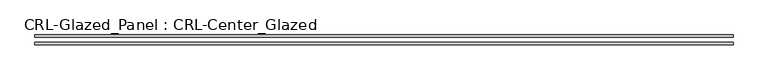
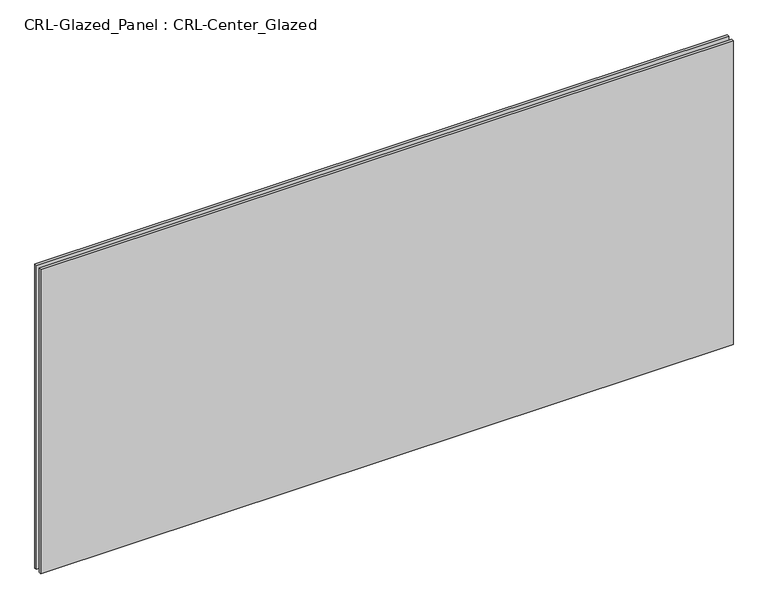
"""IFC4 building model written with IfcOpenShell, lengths in millimetres: plate geometry, CRL-Glazed_Panel : CRL-Center_Glazed."""

import ifcopenshell
import ifcopenshell.guid

model = None  # the IFC model being written
_history = None  # IfcOwnerHistory: only IFC2X3 demands one
_inside = {}  # id of a spatial element -> (the spatial element, [elements in it])
_under = {}  # id of a project, library or spatial element -> (it, [spatial elements below it])
_declared = {}  # id of a project -> (the project, [libraries it declares])
_typed = {}  # id of a type object -> (the type object, [elements of that type])
_made_of = {}  # id of a material, layer set ... -> (it, [elements and type objects made of it])


def new_model(schema):
    """Start an empty IFC model of exactly this schema.

    Asked for "IFC4X3", IfcOpenShell would pick the latest addendum, in which some entities
    have other attributes; the version numbers below select the first issue.
    IFC2X3 requires an IfcOwnerHistory on every rooted entity: one is made here for all.
    """
    global model, _history
    if schema == "IFC4X3":
        model = ifcopenshell.file(schema_version=(4, 3, 0, 0))
    else:
        model = ifcopenshell.file(schema=schema)
    _inside.clear()
    _under.clear()
    _declared.clear()
    _typed.clear()
    _made_of.clear()
    _history = None
    if model.schema == "IFC2X3":
        org = make("IfcOrganization", Name="unknown")
        user = make(
            "IfcPersonAndOrganization",
            ThePerson=make("IfcPerson", FamilyName="unknown"),
            TheOrganization=org,
        )
        app = make(
            "IfcApplication",
            ApplicationDeveloper=org,
            Version="unknown",
            ApplicationFullName="unknown",
            ApplicationIdentifier="unknown",
        )
        _history = make(
            "IfcOwnerHistory",
            OwningUser=user,
            OwningApplication=app,
            ChangeAction="ADDED",
            CreationDate=0,
        )
    return model


def make(cls, **values):
    """One entity of the class cls with the attributes given. An attribute that is None is left unset."""
    return model.create_entity(
        cls, **{name: value for name, value in values.items() if value is not None}
    )


def rooted(cls, **values):
    """An entity with a GlobalId (a new one), such as an element, a storey or a relation."""
    return make(cls, GlobalId=ifcopenshell.guid.new(), OwnerHistory=_history, **values)


def si_unit(unit_type, name, prefix=None):
    """IfcSIUnit, for example si_unit("LENGTHUNIT", "METRE", prefix="MILLI")."""
    return make("IfcSIUnit", UnitType=unit_type, Prefix=prefix, Name=name)


def assignment(units):
    """IfcUnitAssignment: the units of a project."""
    return None if units is None else make("IfcUnitAssignment", Units=units)


def point(xyz):
    """IfcCartesianPoint."""
    return None if xyz is None else make("IfcCartesianPoint", Coordinates=xyz)


def direction(xyz):
    """IfcDirection."""
    return None if xyz is None else make("IfcDirection", DirectionRatios=xyz)


def frame(location, z_axis=None, x_axis=None):
    """IfcAxis2Placement3D, a coordinate frame: its origin and axes. An axis left out is left unset."""
    return make(
        "IfcAxis2Placement3D",
        Location=point(location),
        Axis=direction(z_axis),
        RefDirection=direction(x_axis),
    )


def origin():
    """The frame at (0, 0, 0) with its axes left unset."""
    return frame((0.0, 0.0, 0.0))


def origin_with_axes():
    """The frame at (0, 0, 0) with the z axis (0, 0, 1) and the x axis (1, 0, 0) written out."""
    return frame((0.0, 0.0, 0.0), z_axis=(0.0, 0.0, 1.0), x_axis=(1.0, 0.0, 0.0))


def place(relative_to, where):
    """IfcLocalPlacement: puts the frame where relative to a parent placement (None: the world)."""
    return make(
        "IfcLocalPlacement", PlacementRelTo=relative_to, RelativePlacement=where
    )


def context(
    kind, dimensions, precision=None, world=None, true_north=None, identifier=None
):
    """IfcGeometricRepresentationContext, for example the 3D "Model" context."""
    return make(
        "IfcGeometricRepresentationContext",
        ContextIdentifier=identifier,
        ContextType=kind,
        CoordinateSpaceDimension=dimensions,
        Precision=precision,
        WorldCoordinateSystem=world,
        TrueNorth=true_north,
    )


def project(units=None, contexts=None):
    """IfcProject with its units and contexts."""
    return rooted(
        "IfcProject",
        Name="project",
        RepresentationContexts=contexts,
        UnitsInContext=assignment(units),
    )


def spatial(cls, under=None, at=None, **own):
    """A site, building, storey or space (cls), placed at a placement, below another one or the project."""
    s = rooted(cls, ObjectPlacement=at, **own)
    if under is not None:
        _under.setdefault(under.id(), (under, []))[1].append(s)
    return s


def polyline(points):
    """IfcPolyline through the points."""
    return make("IfcPolyline", Points=[point(p) for p in points])


def outline(outer, holes=None, kind="AREA"):
    """IfcArbitraryClosedProfileDef: a profile drawn as a closed curve; with holes, ...WithVoids."""
    if holes is None:
        return make("IfcArbitraryClosedProfileDef", ProfileType=kind, OuterCurve=outer)
    return make(
        "IfcArbitraryProfileDefWithVoids",
        ProfileType=kind,
        OuterCurve=outer,
        InnerCurves=holes,
    )


def extrude(swept, where, along, depth):
    """IfcExtrudedAreaSolid: the profile swept, set in the frame where, extruded along a direction by depth."""
    return make(
        "IfcExtrudedAreaSolid",
        SweptArea=swept,
        Position=where,
        ExtrudedDirection=direction(along),
        Depth=depth,
    )


def shape(context_of_items, identifier, shape_type, items):
    """IfcShapeRepresentation: the items that make up one representation, for example the "Body"."""
    return make(
        "IfcShapeRepresentation",
        ContextOfItems=context_of_items,
        RepresentationIdentifier=identifier,
        RepresentationType=shape_type,
        Items=items,
    )


def source(mapping_origin, context_of_items, identifier, shape_type, items):
    """IfcRepresentationMap: a shape defined once, which mapped items show again and again."""
    return make(
        "IfcRepresentationMap",
        MappingOrigin=mapping_origin,
        MappedRepresentation=shape(context_of_items, identifier, shape_type, items),
    )


def transform(
    local_origin,
    x_axis=None,
    y_axis=None,
    z_axis=None,
    scale=None,
    scale2=None,
    scale3=None,
    uniform=True,
):
    """IfcCartesianTransformationOperator3D, or its non-uniform kind. x_axis, y_axis, z_axis: its Axis1, 2, 3."""
    if uniform:
        return make(
            "IfcCartesianTransformationOperator3D",
            Axis1=direction(x_axis),
            Axis2=direction(y_axis),
            LocalOrigin=point(local_origin),
            Scale=scale,
            Axis3=direction(z_axis),
        )
    return make(
        "IfcCartesianTransformationOperator3DnonUniform",
        Axis1=direction(x_axis),
        Axis2=direction(y_axis),
        LocalOrigin=point(local_origin),
        Scale=scale,
        Axis3=direction(z_axis),
        Scale2=scale2,
        Scale3=scale3,
    )


def mapped(mapping_source, mapping_target):
    """IfcMappedItem: shows the shape of a source again, moved by a transform."""
    return make(
        "IfcMappedItem", MappingSource=mapping_source, MappingTarget=mapping_target
    )


def made_of(thing, what):
    """Note that an element or type object is made of a material, layer set ...; save() writes the relation."""
    if what is not None:
        _made_of.setdefault(what.id(), (what, []))[1].append(thing)
    return thing


def element(
    cls,
    number,
    at=None,
    inside=None,
    cuts=None,
    type_object=None,
    material=None,
    context=None,
    identifier="Body",
    shape_type=None,
    held_by="IfcProductDefinitionShape",
    body=None,
    shapes=None,
    **own,
):
    """One element of the class cls, such as IfcWall. Its Tag is "e" and its number.

    at: its placement. inside: the storey or other place that contains it. cuts: it is an
    opening in that element (IfcRelVoidsElement). A single representation is given by context,
    identifier, shape_type and body (its items); several are given by shapes. held_by: the class
    of the entity that holds the representations. save() writes the other relations.
    """
    e = rooted(cls, Tag="e%d" % number, ObjectPlacement=at, **own)
    if body is not None:
        shapes = [shape(context, identifier, shape_type, body)]
    if shapes is not None:
        e.Representation = make(held_by, Representations=shapes)
    if inside is not None:
        _inside.setdefault(inside.id(), (inside, []))[1].append(e)
    if cuts is not None:
        rooted(
            "IfcRelVoidsElement", RelatingBuildingElement=cuts, RelatedOpeningElement=e
        )
    if type_object is not None:
        _typed.setdefault(type_object.id(), (type_object, []))[1].append(e)
    return made_of(e, material)


def aggregate(whole, parts):
    """IfcRelAggregates: a whole, such as a stair, and the parts it consists of."""
    return rooted("IfcRelAggregates", RelatingObject=whole, RelatedObjects=parts)


def save(model, path):
    """Write the relations noted so far, then the file.

    IfcRelAggregates (storeys below a building ...), IfcRelContainedInSpatialStructure (elements
    in a storey), IfcRelDefinesByType, IfcRelAssociatesMaterial and IfcRelDeclares: one each for
    every whole, place, type object, material and project.
    """
    for whole, parts in _under.values():
        aggregate(whole, parts)
    for where, things in _inside.values():
        rooted(
            "IfcRelContainedInSpatialStructure",
            RelatedElements=things,
            RelatingStructure=where,
        )
    for kind, things in _typed.values():
        rooted("IfcRelDefinesByType", RelatedObjects=things, RelatingType=kind)
    for what, things in _made_of.values():
        rooted("IfcRelAssociatesMaterial", RelatedObjects=things, RelatingMaterial=what)
    for by, libraries in _declared.values():
        rooted("IfcRelDeclares", RelatingContext=by, RelatedDefinitions=libraries)
    model.write(path)


def crl_glazed_panel_crl_center_glazed_48ac3d56(model_context):
    return source(origin(), model_context, "Body", "SweptSolid", [
        extrude(outline(polyline([(900.1125, -12.7), (-900.1125, -12.7), (-900.1125, -6.35), (900.1125, -6.35), (900.1125, -12.7)])), origin_with_axes(), (0.0, 0.0, 1.0), 836.2315157),
        extrude(outline(polyline([(-900.1125, 6.35), (-900.1125, 12.7), (900.1125, 12.7), (900.1125, 6.35), (-900.1125, 6.35)])), origin_with_axes(), (0.0, 0.0, 1.0), 836.2315157),
    ])


if __name__ == "__main__":
    model = new_model("IFC4")
    model_context = context("Model", 3, world=origin())
    ifc_project = project(units=[si_unit("LENGTHUNIT", "METRE", prefix="MILLI")], contexts=[model_context])
    site = spatial("IfcSite", under=ifc_project)
    building = spatial("IfcBuilding", under=site)
    placement = place(None, origin())
    crl_glazed_panel_crl_center_glazed_shape = crl_glazed_panel_crl_center_glazed_48ac3d56(model_context)
    element("IfcPlate", 1, ObjectType="CRL-Glazed_Panel : CRL-Center_Glazed", at=placement, inside=building, context=model_context, shape_type="MappedRepresentation", body=[
        mapped(crl_glazed_panel_crl_center_glazed_shape, transform((0.0, 0.0, 0.0), x_axis=(1.0, 0.0, 0.0), y_axis=(0.0, 1.0, 0.0), z_axis=(0.0, 0.0, 1.0))),
    ])
    save(model, "model.ifc")
